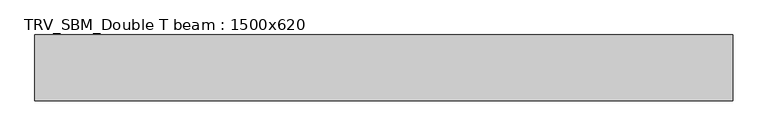
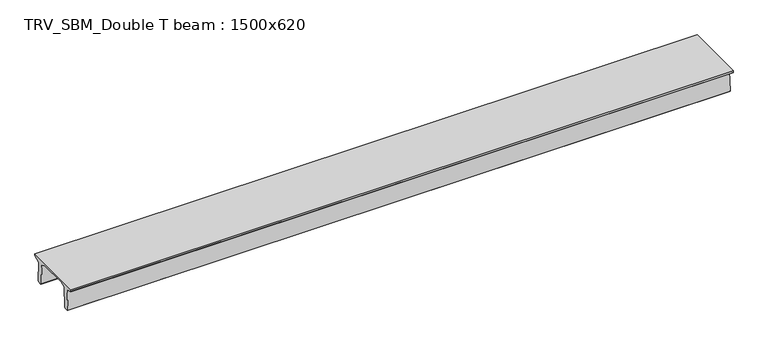
"""IFC4 building model written with IfcOpenShell, lengths in millimetres: beam geometry, TRV_SBM_Double T beam : 1500x620."""

from ifc_helpers import new_model, si_unit, frame, origin, place, context, project, spatial, polyline, outline, extrude, source, transform, mapped, element, save


def trv_sbm_double_t_beam_1500x620_4d04429f(model_context):
    return source(origin(), model_context, "Body", "SweptSolid", [
        extrude(outline(polyline([(-765.0, 215.0), (-765.0, 260.0), (735.0, 260.0), (735.0, 215.0), (728.2094488, 201.315559), (578.0626443, 140.6523122), (594.8277662, -339.4379646), (574.2657308, -360.0), (484.2657308, -360.0), (464.786332, -340.5206011), (447.8600761, 144.18395), (338.3237744, 210.0), (-367.4555014, 210.0), (-476.5389732, 151.9992892), (-507.0080378, -339.3850967), (-527.622941, -360.0), (-615.122941, -360.0), (-637.1143055, -338.0086356), (-606.1572167, 162.687806), (-761.3068466, 204.260024), (-765.0, 215.0)])), frame((-7911.0, 0.0, 0.0), z_axis=(1.0, 0.0, 0.0), x_axis=(0.0, 1.0, 0.0)), (0.0, 0.0, 1.0), 15899.0),
    ])


if __name__ == "__main__":
    model = new_model("IFC4")
    model_context = context("Model", 3, world=origin())
    ifc_project = project(units=[si_unit("LENGTHUNIT", "METRE", prefix="MILLI")], contexts=[model_context])
    site = spatial("IfcSite", under=ifc_project)
    building = spatial("IfcBuilding", under=site)
    placement = place(None, origin())
    trv_sbm_double_t_beam_1500x620_shape = trv_sbm_double_t_beam_1500x620_4d04429f(model_context)
    element("IfcBeam", 1, ObjectType="TRV_SBM_Double T beam : 1500x620", at=placement, inside=building, context=model_context, shape_type="MappedRepresentation", body=[
        mapped(trv_sbm_double_t_beam_1500x620_shape, transform((0.0, 0.0, 0.0), x_axis=(1.0, 0.0, 0.0), y_axis=(0.0, 1.0, 0.0), z_axis=(0.0, 0.0, 1.0))),
    ])
    save(model, "model.ifc")
